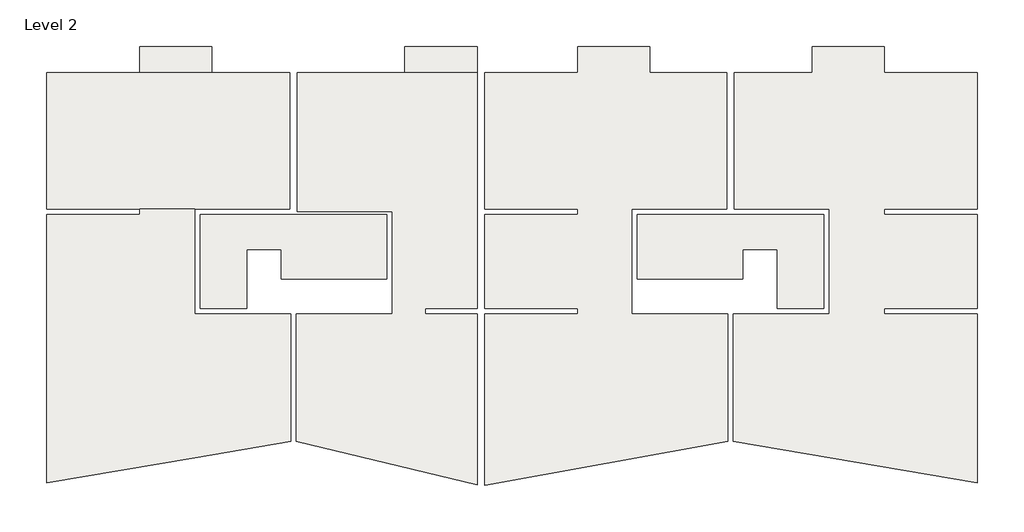
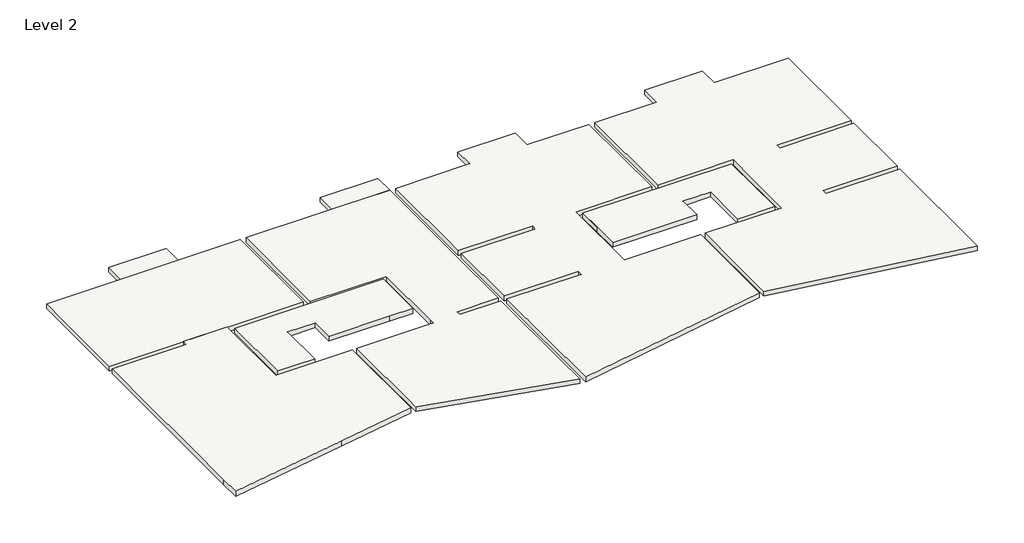
# One storey: 10 slabs.
"""IFC4 building model written with IfcOpenShell, lengths in millimetres."""

from ifc_helpers import new_model, si_unit, frame, origin, place, context, project, spatial, polyline, outline, extrude, element, save

model = new_model("IFC4")

# Units and contexts
model_context = context("Model", 3, world=origin())
ifc_project = project(units=[si_unit("LENGTHUNIT", "METRE", prefix="MILLI")], contexts=[model_context])

# Site, building, storey
site = spatial("IfcSite", under=ifc_project)
building = spatial("IfcBuilding", under=site)
storey = spatial("IfcBuildingStorey", under=building, Name="Level 2", Elevation=5920.0)

# Slabs
placement = place(None, origin())
element("IfcSlab", 1, ObjectType="Generic 220mm", at=placement, inside=storey, context=model_context, shape_type="SweptSolid", body=[
    extrude(outline(polyline([(-9602.8096791, 18647.190715), (-9602.8096791, 13917.190715), (-18022.8096791, 13917.190715), (-18022.8096791, 18647.190715), (-9602.8096791, 18647.190715)])), frame((0.0, 0.0, 5700.0), z_axis=(0.0, 0.0, 1.0), x_axis=(1.0, 0.0, 0.0)), (0.0, 0.0, 1.0), 220.0),
])
element("IfcSlab", 2, ObjectType="Generic 220mm", at=placement, inside=storey, context=model_context, shape_type="SweptSolid", body=[
    extrude(outline(polyline([(-18022.8096791, 13717.190715), (-14802.8096791, 13717.190715), (-14802.8096791, 13917.190715), (-12897.8096791, 13917.190715), (-12897.8096791, 13717.190715), (-12897.8096791, 10267.190715), (-9572.8096791, 10267.190715), (-9572.8096791, 5861.5821317), (-12897.8096791, 5294.6023629), (-18022.8096791, 4420.686178), (-18022.8096791, 5294.6023629), (-18022.8096791, 13717.190715)])), frame((0.0, 0.0, 5700.0), z_axis=(0.0, 0.0, 1.0), x_axis=(1.0, 0.0, 0.0)), (0.0, 0.0, 1.0), 220.0),
])
element("IfcSlab", 3, ObjectType="Generic 220mm", at=placement, inside=storey, context=model_context, shape_type="SweptSolid", body=[
    extrude(outline(polyline([(-3112.8096791, 18647.190715), (-3112.8096791, 13817.190715), (-3112.8096791, 10467.190715), (-4912.8096791, 10467.190715), (-4912.8096791, 10267.190715), (-3112.8096791, 10267.190715), (-3112.8096791, 5877.190715), (-3112.8096791, 4351.2871064), (-9372.8096791, 5856.0020525), (-9372.8096791, 10267.190715), (-6047.8096791, 10267.190715), (-6047.8096791, 10467.190715), (-6047.8096791, 13817.190715), (-9342.8096791, 13817.190715), (-9342.8096791, 18647.190715), (-3112.8096791, 18647.190715)])), frame((0.0, 0.0, 5700.0), z_axis=(0.0, 0.0, 1.0), x_axis=(1.0, 0.0, 0.0)), (0.0, 0.0, 1.0), 220.0),
])
element("IfcSlab", 4, ObjectType="Generic 220mm", at=placement, inside=storey, context=model_context, shape_type="SweptSolid", body=[
    extrude(outline(polyline([(-14802.8096791, 19547.190715), (-12302.8096791, 19547.190715), (-12302.8096791, 18647.190715), (-14802.8096791, 18647.190715), (-14802.8096791, 19547.190715)])), frame((0.0, 0.0, 5700.0), z_axis=(0.0, 0.0, 1.0), x_axis=(1.0, 0.0, 0.0)), (0.0, 0.0, 1.0), 220.0),
])
element("IfcSlab", 5, ObjectType="Generic 220mm", at=placement, inside=storey, context=model_context, shape_type="SweptSolid", body=[
    extrude(outline(polyline([(-5612.8096791, 19547.190715), (-3112.8096791, 19547.190715), (-3112.8096791, 18647.190715), (-5612.8096791, 18647.190715), (-5612.8096791, 19547.190715)])), frame((0.0, 0.0, 5700.0), z_axis=(0.0, 0.0, 1.0), x_axis=(1.0, 0.0, 0.0)), (0.0, 0.0, 1.0), 220.0),
])
element("IfcSlab", 6, ObjectType="Generic 220mm", at=placement, inside=storey, context=model_context, shape_type="SweptSolid", body=[
    extrude(outline(polyline([(2867.1903209, 19547.190715), (2867.1903209, 18747.190715), (2867.1903209, 18647.190715), (5537.1903209, 18647.190715), (5537.1903209, 13917.190715), (2242.1903209, 13917.190715), (2242.1903209, 10267.190715), (5567.1903209, 10267.190715), (5567.1903209, 5860.2303444), (-2852.8096791, 4342.2397444), (-2852.8096791, 10267.190715), (367.1903209, 10267.190715), (367.1903209, 10467.190715), (-2852.8096791, 10467.190715), (-2852.8096791, 13717.190715), (367.1903209, 13717.190715), (367.1903209, 13917.190715), (-2852.8096791, 13917.190715), (-2852.8096791, 18647.190715), (367.1903209, 18647.190715), (367.1903209, 19547.190715), (2867.1903209, 19547.190715)])), frame((0.0, 0.0, 5700.0), z_axis=(0.0, 0.0, 1.0), x_axis=(1.0, 0.0, 0.0)), (0.0, 0.0, 1.0), 220.0),
])
element("IfcSlab", 7, ObjectType="Generic 220mm", at=placement, inside=storey, context=model_context, shape_type="SweptSolid", body=[
    extrude(outline(polyline([(8497.1903209, 18647.190715), (8497.1903209, 19547.190715), (10997.1903209, 19547.190715), (10997.1903209, 18647.190715), (14217.1903209, 18647.190715), (14217.1903209, 13917.190715), (10997.1903209, 13917.190715), (10997.1903209, 13717.190715), (14217.1903209, 13717.190715), (14217.1903209, 10467.190715), (10997.1903209, 10467.190715), (10997.1903209, 10267.190715), (14217.1903209, 10267.190715), (14217.1903209, 4419.8377429), (5767.1903209, 5861.0350662), (5767.1903209, 10267.190715), (9092.1903209, 10267.190715), (9092.1903209, 13917.190715), (5797.1903209, 13917.190715), (5797.1903209, 18647.190715), (8497.1903209, 18647.190715)])), frame((0.0, 0.0, 5700.0), z_axis=(0.0, 0.0, 1.0), x_axis=(1.0, 0.0, 0.0)), (0.0, 0.0, 1.0), 220.0),
])
element("IfcSlab", 8, ObjectType="Generic 220mm", at=placement, inside=storey, context=model_context, shape_type="SweptSolid", body=[
    extrude(outline(polyline([(8892.1903209, 13717.190715), (8892.1903209, 10467.190715), (7292.1903209, 10467.190715), (7292.1903209, 12512.190715), (6092.1903209, 12512.190715), (6092.1903209, 11492.190715), (2442.1903209, 11492.190715), (2442.1903209, 12657.190715), (2442.1903209, 13717.190715), (8892.1903209, 13717.190715)])), frame((0.0, 0.0, 5700.0), z_axis=(0.0, 0.0, 1.0), x_axis=(1.0, 0.0, 0.0)), (0.0, 0.0, 1.0), 220.0),
])
element("IfcSlab", 9, ObjectType="Generic 220mm", at=placement, inside=storey, context=model_context, shape_type="SweptSolid", body=[
    extrude(outline(polyline([(-9897.8096791, 12512.190715), (-11097.8096791, 12512.190715), (-11097.8096791, 10467.190715), (-12697.8096791, 10467.190715), (-12697.8096791, 13717.190715), (-6247.8096791, 13717.190715), (-6247.8096791, 11492.190715), (-7247.8096791, 11492.190715), (-9897.8096791, 11492.190715), (-9897.8096791, 12512.190715)])), frame((0.0, 0.0, 5700.0), z_axis=(0.0, 0.0, 1.0), x_axis=(1.0, 0.0, 0.0)), (0.0, 0.0, 1.0), 220.0),
])
element("IfcSlab", 10, ObjectType="Generic 220mm", at=placement, inside=storey, context=model_context, shape_type="SweptSolid", body=[
    extrude(outline(polyline([(8892.1903209, 13717.190715), (8892.1903209, 10467.190715), (7292.1903209, 10467.190715), (7292.1903209, 12512.190715), (6092.1903209, 12512.190715), (6092.1903209, 11492.190715), (2442.1903209, 11492.190715), (2442.1903209, 13717.190715), (8892.1903209, 13717.190715)])), frame((0.0, 0.0, 5700.0), z_axis=(0.0, 0.0, 1.0), x_axis=(1.0, 0.0, 0.0)), (0.0, 0.0, 1.0), 220.0),
])

save(model, "model.ifc")
